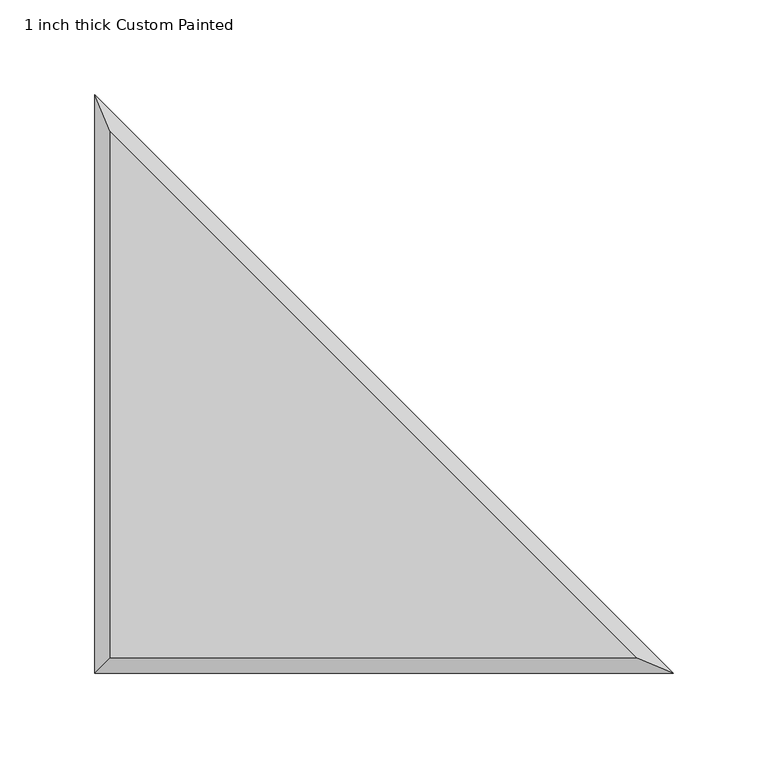
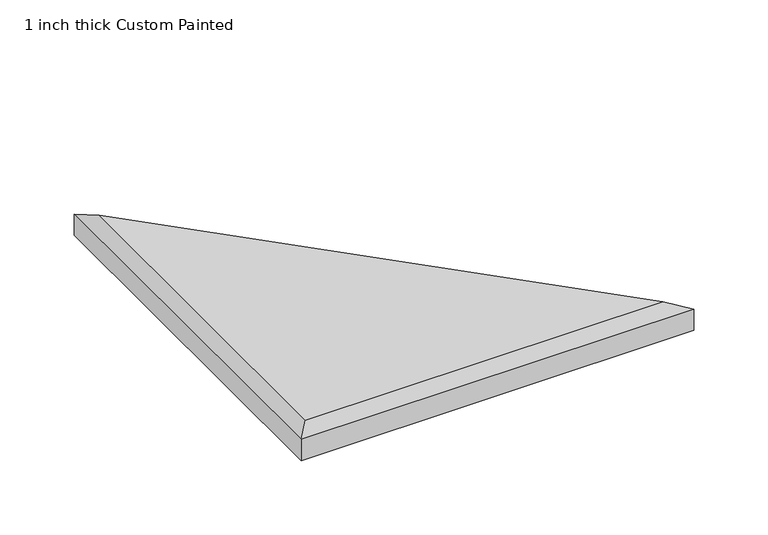
"""IFC4 building model written with IfcOpenShell, lengths in millimetres: proxy geometry, 1 inch thick Custom Painted."""

from ifc_helpers import new_model, si_unit, origin, place, context, project, spatial, faceted_brep, source, transform, mapped, element, save


def proxy_1_inch_thick_custom_painted_b14319c4(model_context):
    return source(origin(), model_context, "Body", "Brep", [
        faceted_brep([(8.001, 8.001, 25.4), (285.4838773, 8.001, 25.4), (8.001, 285.4838773, 25.4), (0.0, 304.8, 0.0), (304.8, 0.0, 0.0), (0.0, 0.0, 0.0), (0.0, 0.0, 17.399), (0.0, 304.8, 17.399), (304.8, 0.0, 17.399)], [[[0, 1, 2]], [[3, 4, 5]], [[3, 5, 6, 7]], [[5, 4, 8, 6]], [[4, 3, 7, 8]], [[8, 1, 0, 6]], [[1, 8, 7, 2]], [[6, 0, 2, 7]]]),
    ])


if __name__ == "__main__":
    model = new_model("IFC4")
    model_context = context("Model", 3, world=origin())
    ifc_project = project(units=[si_unit("LENGTHUNIT", "METRE", prefix="MILLI")], contexts=[model_context])
    site = spatial("IfcSite", under=ifc_project)
    building = spatial("IfcBuilding", under=site)
    placement = place(None, origin())
    proxy_1_inch_thick_custom_painted_shape = proxy_1_inch_thick_custom_painted_b14319c4(model_context)
    element("IfcBuildingElementProxy", 1, Name="1 inch thick Custom Painted", ObjectType="1 inch thick Custom Painted", at=placement, inside=building, context=model_context, shape_type="MappedRepresentation", body=[
        mapped(proxy_1_inch_thick_custom_painted_shape, transform((0.0, 0.0, 0.0), x_axis=(1.0, 0.0, 0.0), y_axis=(0.0, 1.0, 0.0), z_axis=(0.0, 0.0, 1.0))),
    ])
    save(model, "model.ifc")
